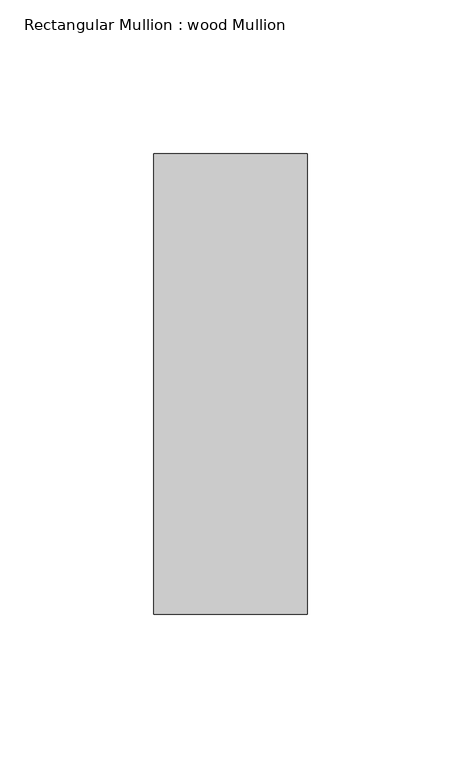
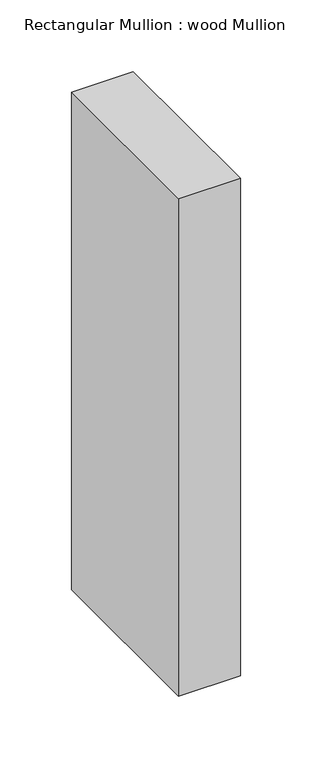
"""IFC4 building model written with IfcOpenShell, lengths in millimetres: member geometry, Rectangular Mullion : wood Mullion."""

from ifc_helpers import new_model, si_unit, frame, origin, place, context, project, spatial, polyline, outline, extrude, source, transform, mapped, element, save


def rectangular_mullion_wood_mullion_89c22e8d(model_context):
    return source(origin(), model_context, "Body", "SweptSolid", [
        extrude(outline(polyline([(0.0, 75.0), (0.0, -75.0), (-50.0, -75.0), (-50.0, 75.0), (0.0, 75.0)])), frame((0.0, 0.0, -425.0), z_axis=(0.0, 0.0, 1.0), x_axis=(1.0, 0.0, 0.0)), (0.0, 0.0, 1.0), 425.0),
    ])


if __name__ == "__main__":
    model = new_model("IFC4")
    model_context = context("Model", 3, world=origin())
    ifc_project = project(units=[si_unit("LENGTHUNIT", "METRE", prefix="MILLI")], contexts=[model_context])
    site = spatial("IfcSite", under=ifc_project)
    building = spatial("IfcBuilding", under=site)
    placement = place(None, origin())
    rectangular_mullion_wood_mullion_shape = rectangular_mullion_wood_mullion_89c22e8d(model_context)
    element("IfcMember", 1, ObjectType="Rectangular Mullion : wood Mullion", at=placement, inside=building, context=model_context, shape_type="MappedRepresentation", body=[
        mapped(rectangular_mullion_wood_mullion_shape, transform((0.0, 0.0, 0.0), x_axis=(1.0, 0.0, 0.0), y_axis=(0.0, 1.0, 0.0), z_axis=(0.0, 0.0, 1.0))),
    ])
    save(model, "model.ifc")
